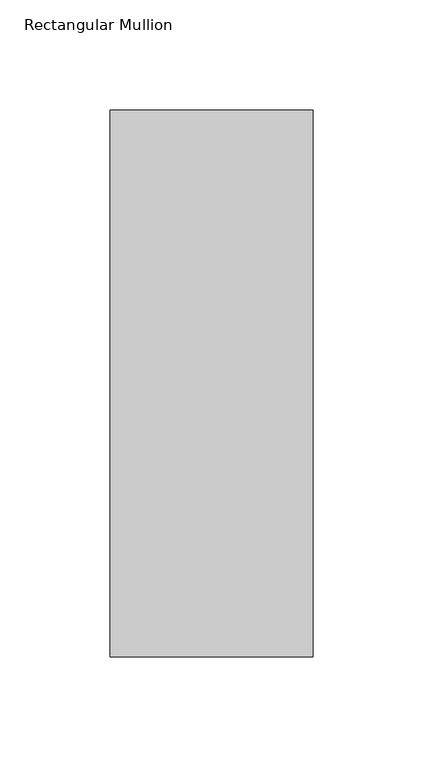
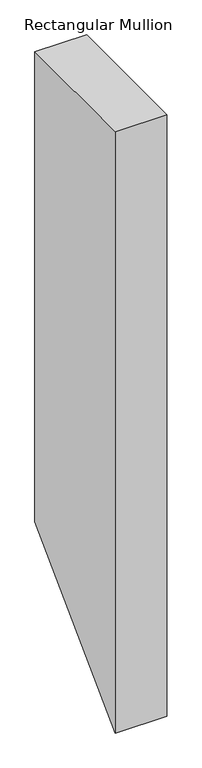
"""IFC4 building model written with IfcOpenShell, lengths in millimetres: member geometry, Rectangular Mullion."""

from ifc_helpers import new_model, si_unit, origin, place, context, project, spatial, faceted_brep, source, transform, mapped, element, save


def rectangular_mullion_abb0c6b6(model_context):
    return source(origin(), model_context, "Body", "Brep", [
        faceted_brep([(0.0154385, 295.1925444, 0.0), (-92.0849612, 295.1994606, 0.0), (-92.1036175, 46.7620603, 0.0), (-0.0032178, 46.755144, 0.0), (0.0154385, 295.1925444, -886.2268785), (-92.0849612, 295.1994606, -886.2199622), (-92.1036175, 46.7620603, -1134.6573626), (-0.0032178, 46.755144, -1134.6642789)], [[[0, 1, 2, 3]], [[1, 0, 4, 5]], [[2, 1, 5, 6]], [[3, 2, 6, 7]], [[0, 3, 7, 4]], [[4, 7, 6, 5]]]),
    ])


if __name__ == "__main__":
    model = new_model("IFC4")
    model_context = context("Model", 3, world=origin())
    ifc_project = project(units=[si_unit("LENGTHUNIT", "METRE", prefix="MILLI")], contexts=[model_context])
    site = spatial("IfcSite", under=ifc_project)
    building = spatial("IfcBuilding", under=site)
    placement = place(None, origin())
    rectangular_mullion_shape = rectangular_mullion_abb0c6b6(model_context)
    element("IfcMember", 1, ObjectType="Rectangular Mullion", at=placement, inside=building, context=model_context, shape_type="MappedRepresentation", body=[
        mapped(rectangular_mullion_shape, transform((0.0, 0.0, 0.0), x_axis=(1.0, 0.0, 0.0), y_axis=(0.0, 1.0, 0.0), z_axis=(0.0, 0.0, 1.0))),
    ])
    save(model, "model.ifc")
